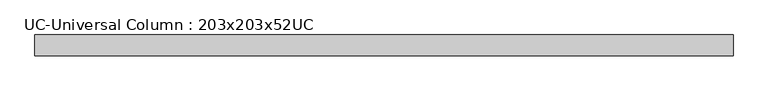
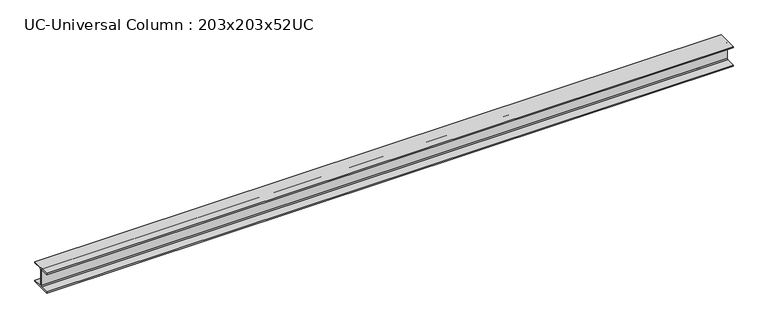
"""IFC4 building model written with IfcOpenShell, lengths in millimetres: beam geometry, UC-Universal Column : 203x203x52UC."""

from ifc_helpers import new_model, si_unit, point, frame, frame_2d, origin, place, context, project, spatial, polyline, circle_curve, trimmed, segment, composite_curve, outline, extrude, source, transform, mapped, element, save


def uc_universal_column_203x203x52uc_477cd8e7(model_context):
    return source(origin(), model_context, "Body", "SweptSolid", [
        extrude(outline(composite_curve([segment(polyline([(102.15, -90.6), (102.15, -103.1), (-102.15, -103.1), (-102.15, -90.6), (-14.15, -90.6)]), True, "CONTINUOUS"), segment(trimmed(circle_curve(frame_2d((-14.15, -80.4)), 10.2), [point((-14.15, -90.6))], [point((-3.95, -80.4))], True, "CARTESIAN"), True, "CONTINUOUS"), segment(polyline([(-3.95, -80.4), (-3.95, 80.4)]), True, "CONTINUOUS"), segment(trimmed(circle_curve(frame_2d((-14.15, 80.4)), 10.2), [point((-3.95, 80.4))], [point((-14.15, 90.6))], True, "CARTESIAN"), True, "CONTINUOUS"), segment(polyline([(-14.15, 90.6), (-102.15, 90.6), (-102.15, 103.1), (102.15, 103.1), (102.15, 90.6), (14.15, 90.6)]), True, "CONTINUOUS"), segment(trimmed(circle_curve(frame_2d((14.15, 80.4)), 10.2), [point((14.15, 90.6))], [point((3.95, 80.4))], True, "CARTESIAN"), True, "CONTINUOUS"), segment(polyline([(3.95, 80.4), (3.95, -80.4)]), True, "CONTINUOUS"), segment(trimmed(circle_curve(frame_2d((14.15, -80.4)), 10.2), [point((3.95, -80.4))], [point((14.15, -90.6))], True, "CARTESIAN"), True, "CONTINUOUS"), segment(polyline([(14.15, -90.6), (102.15, -90.6)]), True, "CONTINUOUS")], self_intersect=False)), frame((-3581.4, 0.0, 0.0), z_axis=(1.0, 0.0, 0.0), x_axis=(0.0, 1.0, 0.0)), (0.0, 0.0, 1.0), 6843.5490597),
    ])


if __name__ == "__main__":
    model = new_model("IFC4")
    model_context = context("Model", 3, world=origin())
    ifc_project = project(units=[si_unit("LENGTHUNIT", "METRE", prefix="MILLI")], contexts=[model_context])
    site = spatial("IfcSite", under=ifc_project)
    building = spatial("IfcBuilding", under=site)
    placement = place(None, origin())
    uc_universal_column_203x203x52uc_shape = uc_universal_column_203x203x52uc_477cd8e7(model_context)
    element("IfcBeam", 1, ObjectType="UC-Universal Column : 203x203x52UC", at=placement, inside=building, context=model_context, shape_type="MappedRepresentation", body=[
        mapped(uc_universal_column_203x203x52uc_shape, transform((0.0, 0.0, 0.0), x_axis=(1.0, 0.0, 0.0), y_axis=(0.0, 1.0, 0.0), z_axis=(0.0, 0.0, 1.0))),
    ])
    save(model, "model.ifc")
